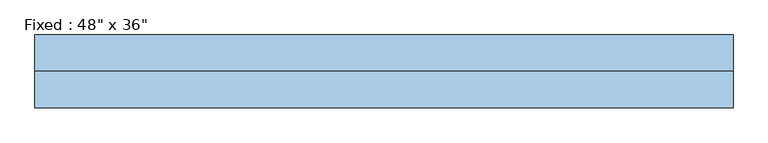
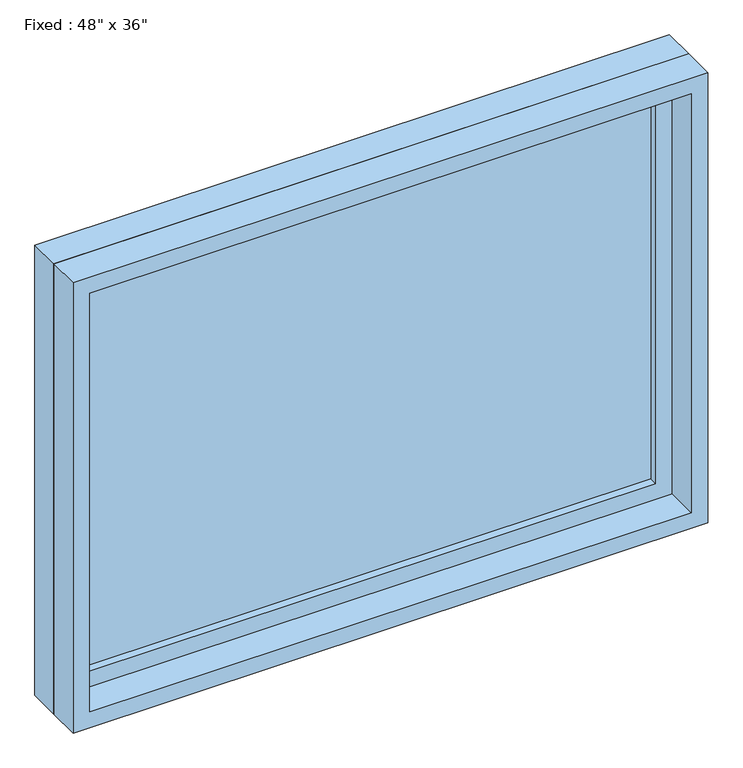
"""IFC4 building model written with IfcOpenShell, lengths in millimetres: window geometry."""

from ifc_helpers import new_model, si_unit, frame, origin, place, context, project, spatial, polyline, outline, extrude, source, transform, mapped, element, save


def window_641d7651(model_context):
    return source(origin(), model_context, "Body", "SweptSolid", [
        extrude(outline(polyline([(508.0, 15.875), (-584.2, 15.875), (-584.2, 28.575), (508.0, 28.575), (508.0, 15.875)])), frame((0.0, 0.0, 977.9), z_axis=(0.0, 0.0, 1.0), x_axis=(1.0, 0.0, 0.0)), (0.0, 0.0, 1.0), 787.4),
        extrude(outline(polyline([(1809.75, -628.65), (933.45, -628.65), (933.45, 552.45), (1809.75, 552.45), (1809.75, -628.65)]), holes=[polyline([(1765.3, -584.2), (1765.3, 508.0), (977.9, 508.0), (977.9, -584.2), (1765.3, -584.2)])]), frame((0.0, 0.0, 0.0), z_axis=(0.0, 1.0, 0.0), x_axis=(0.0, 0.0, 1.0)), (0.0, 0.0, 1.0), 44.45),
        extrude(outline(polyline([(1828.8, -647.7), (914.4, -647.7), (914.4, 571.5), (1828.8, 571.5), (1828.8, -647.7)]), holes=[polyline([(1797.05, -615.95), (1797.05, 539.75), (946.15, 539.75), (946.15, -615.95), (1797.05, -615.95)])]), frame((0.0, -63.5, 0.0), z_axis=(0.0, 1.0, 0.0), x_axis=(0.0, 0.0, 1.0)), (0.0, 0.0, 1.0), 63.5),
        extrude(outline(polyline([(1828.8, 571.5), (1828.8, -647.7), (914.4, -647.7), (914.4, 571.5), (1828.8, 571.5)]), holes=[polyline([(1809.75, 552.45), (933.45, 552.45), (933.45, -628.65), (1809.75, -628.65), (1809.75, 552.45)])]), frame((0.0, 0.0, 0.0), z_axis=(0.0, 1.0, 0.0), x_axis=(0.0, 0.0, 1.0)), (0.0, 0.0, 1.0), 63.5),
    ])


if __name__ == "__main__":
    model = new_model("IFC4")
    model_context = context("Model", 3, world=origin())
    ifc_project = project(units=[si_unit("LENGTHUNIT", "METRE", prefix="MILLI")], contexts=[model_context])
    site = spatial("IfcSite", under=ifc_project)
    building = spatial("IfcBuilding", under=site)
    placement = place(None, origin())
    window_shape = window_641d7651(model_context)
    element("IfcWindow", 1, ObjectType="Fixed : 48\" x 36\"", at=placement, inside=building, context=model_context, shape_type="MappedRepresentation", body=[
        mapped(window_shape, transform((0.0, 0.0, 0.0), x_axis=(1.0, 0.0, 0.0), y_axis=(0.0, 1.0, 0.0), z_axis=(0.0, 0.0, 1.0))),
    ])
    save(model, "model.ifc")
